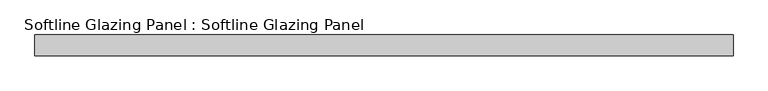
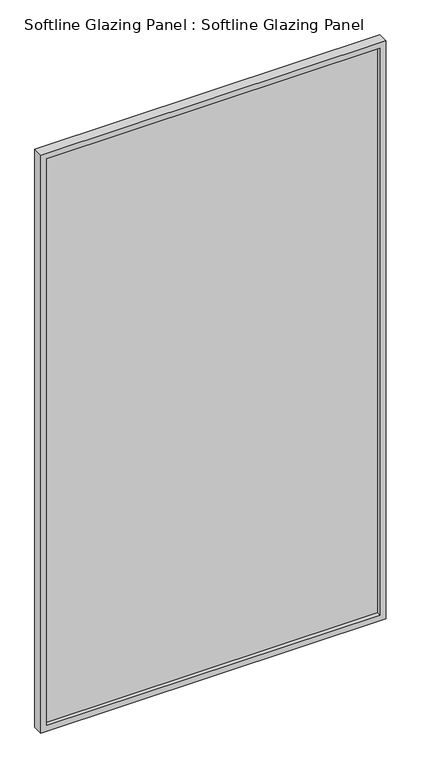
"""IFC4 building model written with IfcOpenShell, lengths in millimetres: plate geometry, Softline Glazing Panel : Softline Glazing Panel."""

import ifcopenshell
import ifcopenshell.guid

model = None  # the IFC model being written
_history = None  # IfcOwnerHistory: only IFC2X3 demands one
_inside = {}  # id of a spatial element -> (the spatial element, [elements in it])
_under = {}  # id of a project, library or spatial element -> (it, [spatial elements below it])
_declared = {}  # id of a project -> (the project, [libraries it declares])
_typed = {}  # id of a type object -> (the type object, [elements of that type])
_made_of = {}  # id of a material, layer set ... -> (it, [elements and type objects made of it])


def new_model(schema):
    """Start an empty IFC model of exactly this schema.

    Asked for "IFC4X3", IfcOpenShell would pick the latest addendum, in which some entities
    have other attributes; the version numbers below select the first issue.
    IFC2X3 requires an IfcOwnerHistory on every rooted entity: one is made here for all.
    """
    global model, _history
    if schema == "IFC4X3":
        model = ifcopenshell.file(schema_version=(4, 3, 0, 0))
    else:
        model = ifcopenshell.file(schema=schema)
    _inside.clear()
    _under.clear()
    _declared.clear()
    _typed.clear()
    _made_of.clear()
    _history = None
    if model.schema == "IFC2X3":
        org = make("IfcOrganization", Name="unknown")
        user = make(
            "IfcPersonAndOrganization",
            ThePerson=make("IfcPerson", FamilyName="unknown"),
            TheOrganization=org,
        )
        app = make(
            "IfcApplication",
            ApplicationDeveloper=org,
            Version="unknown",
            ApplicationFullName="unknown",
            ApplicationIdentifier="unknown",
        )
        _history = make(
            "IfcOwnerHistory",
            OwningUser=user,
            OwningApplication=app,
            ChangeAction="ADDED",
            CreationDate=0,
        )
    return model


def make(cls, **values):
    """One entity of the class cls with the attributes given. An attribute that is None is left unset."""
    return model.create_entity(
        cls, **{name: value for name, value in values.items() if value is not None}
    )


def rooted(cls, **values):
    """An entity with a GlobalId (a new one), such as an element, a storey or a relation."""
    return make(cls, GlobalId=ifcopenshell.guid.new(), OwnerHistory=_history, **values)


def si_unit(unit_type, name, prefix=None):
    """IfcSIUnit, for example si_unit("LENGTHUNIT", "METRE", prefix="MILLI")."""
    return make("IfcSIUnit", UnitType=unit_type, Prefix=prefix, Name=name)


def assignment(units):
    """IfcUnitAssignment: the units of a project."""
    return None if units is None else make("IfcUnitAssignment", Units=units)


def point(xyz):
    """IfcCartesianPoint."""
    return None if xyz is None else make("IfcCartesianPoint", Coordinates=xyz)


def direction(xyz):
    """IfcDirection."""
    return None if xyz is None else make("IfcDirection", DirectionRatios=xyz)


def frame(location, z_axis=None, x_axis=None):
    """IfcAxis2Placement3D, a coordinate frame: its origin and axes. An axis left out is left unset."""
    return make(
        "IfcAxis2Placement3D",
        Location=point(location),
        Axis=direction(z_axis),
        RefDirection=direction(x_axis),
    )


def origin():
    """The frame at (0, 0, 0) with its axes left unset."""
    return frame((0.0, 0.0, 0.0))


def place(relative_to, where):
    """IfcLocalPlacement: puts the frame where relative to a parent placement (None: the world)."""
    return make(
        "IfcLocalPlacement", PlacementRelTo=relative_to, RelativePlacement=where
    )


def context(
    kind, dimensions, precision=None, world=None, true_north=None, identifier=None
):
    """IfcGeometricRepresentationContext, for example the 3D "Model" context."""
    return make(
        "IfcGeometricRepresentationContext",
        ContextIdentifier=identifier,
        ContextType=kind,
        CoordinateSpaceDimension=dimensions,
        Precision=precision,
        WorldCoordinateSystem=world,
        TrueNorth=true_north,
    )


def project(units=None, contexts=None):
    """IfcProject with its units and contexts."""
    return rooted(
        "IfcProject",
        Name="project",
        RepresentationContexts=contexts,
        UnitsInContext=assignment(units),
    )


def spatial(cls, under=None, at=None, **own):
    """A site, building, storey or space (cls), placed at a placement, below another one or the project."""
    s = rooted(cls, ObjectPlacement=at, **own)
    if under is not None:
        _under.setdefault(under.id(), (under, []))[1].append(s)
    return s


def polyline(points):
    """IfcPolyline through the points."""
    return make("IfcPolyline", Points=[point(p) for p in points])


def outline(outer, holes=None, kind="AREA"):
    """IfcArbitraryClosedProfileDef: a profile drawn as a closed curve; with holes, ...WithVoids."""
    if holes is None:
        return make("IfcArbitraryClosedProfileDef", ProfileType=kind, OuterCurve=outer)
    return make(
        "IfcArbitraryProfileDefWithVoids",
        ProfileType=kind,
        OuterCurve=outer,
        InnerCurves=holes,
    )


def extrude(swept, where, along, depth):
    """IfcExtrudedAreaSolid: the profile swept, set in the frame where, extruded along a direction by depth."""
    return make(
        "IfcExtrudedAreaSolid",
        SweptArea=swept,
        Position=where,
        ExtrudedDirection=direction(along),
        Depth=depth,
    )


def faces_of(points, faces, orient=None, outer=None):
    """IfcFace entities. A face is a list of loops; a loop is a list of indices into points, from 0.

    orient and outer hold one flag for each loop. By default every Orientation is true, the
    first loop of a face is its IfcFaceOuterBound and the others are IfcFaceBound.
    """
    made = []
    for i, loops in enumerate(faces):
        bounds = []
        for j, loop in enumerate(loops):
            is_outer = j == 0 if outer is None else outer[i][j]
            bounds.append(
                make(
                    "IfcFaceOuterBound" if is_outer else "IfcFaceBound",
                    Bound=make("IfcPolyLoop", Polygon=[points[k] for k in loop]),
                    Orientation=True if orient is None else orient[i][j],
                )
            )
        made.append(make("IfcFace", Bounds=bounds))
    return made


def faceted_brep(points, faces, orient=None, outer=None, voids=None):
    """IfcFacetedBrep: a solid bounded by flat faces; with voids (closed shells), ...WithVoids."""
    shared = [point(p) for p in points]
    hull = make("IfcClosedShell", CfsFaces=faces_of(shared, faces, orient, outer))
    if voids is None:
        return make("IfcFacetedBrep", Outer=hull)
    return make(
        "IfcFacetedBrepWithVoids",
        Outer=hull,
        Voids=[
            make(cls, CfsFaces=faces_of(shared, fs, o, b)) for cls, fs, o, b in voids
        ],
    )


def shape(context_of_items, identifier, shape_type, items):
    """IfcShapeRepresentation: the items that make up one representation, for example the "Body"."""
    return make(
        "IfcShapeRepresentation",
        ContextOfItems=context_of_items,
        RepresentationIdentifier=identifier,
        RepresentationType=shape_type,
        Items=items,
    )


def source(mapping_origin, context_of_items, identifier, shape_type, items):
    """IfcRepresentationMap: a shape defined once, which mapped items show again and again."""
    return make(
        "IfcRepresentationMap",
        MappingOrigin=mapping_origin,
        MappedRepresentation=shape(context_of_items, identifier, shape_type, items),
    )


def transform(
    local_origin,
    x_axis=None,
    y_axis=None,
    z_axis=None,
    scale=None,
    scale2=None,
    scale3=None,
    uniform=True,
):
    """IfcCartesianTransformationOperator3D, or its non-uniform kind. x_axis, y_axis, z_axis: its Axis1, 2, 3."""
    if uniform:
        return make(
            "IfcCartesianTransformationOperator3D",
            Axis1=direction(x_axis),
            Axis2=direction(y_axis),
            LocalOrigin=point(local_origin),
            Scale=scale,
            Axis3=direction(z_axis),
        )
    return make(
        "IfcCartesianTransformationOperator3DnonUniform",
        Axis1=direction(x_axis),
        Axis2=direction(y_axis),
        LocalOrigin=point(local_origin),
        Scale=scale,
        Axis3=direction(z_axis),
        Scale2=scale2,
        Scale3=scale3,
    )


def mapped(mapping_source, mapping_target):
    """IfcMappedItem: shows the shape of a source again, moved by a transform."""
    return make(
        "IfcMappedItem", MappingSource=mapping_source, MappingTarget=mapping_target
    )


def made_of(thing, what):
    """Note that an element or type object is made of a material, layer set ...; save() writes the relation."""
    if what is not None:
        _made_of.setdefault(what.id(), (what, []))[1].append(thing)
    return thing


def element(
    cls,
    number,
    at=None,
    inside=None,
    cuts=None,
    type_object=None,
    material=None,
    context=None,
    identifier="Body",
    shape_type=None,
    held_by="IfcProductDefinitionShape",
    body=None,
    shapes=None,
    **own,
):
    """One element of the class cls, such as IfcWall. Its Tag is "e" and its number.

    at: its placement. inside: the storey or other place that contains it. cuts: it is an
    opening in that element (IfcRelVoidsElement). A single representation is given by context,
    identifier, shape_type and body (its items); several are given by shapes. held_by: the class
    of the entity that holds the representations. save() writes the other relations.
    """
    e = rooted(cls, Tag="e%d" % number, ObjectPlacement=at, **own)
    if body is not None:
        shapes = [shape(context, identifier, shape_type, body)]
    if shapes is not None:
        e.Representation = make(held_by, Representations=shapes)
    if inside is not None:
        _inside.setdefault(inside.id(), (inside, []))[1].append(e)
    if cuts is not None:
        rooted(
            "IfcRelVoidsElement", RelatingBuildingElement=cuts, RelatedOpeningElement=e
        )
    if type_object is not None:
        _typed.setdefault(type_object.id(), (type_object, []))[1].append(e)
    return made_of(e, material)


def aggregate(whole, parts):
    """IfcRelAggregates: a whole, such as a stair, and the parts it consists of."""
    return rooted("IfcRelAggregates", RelatingObject=whole, RelatedObjects=parts)


def save(model, path):
    """Write the relations noted so far, then the file.

    IfcRelAggregates (storeys below a building ...), IfcRelContainedInSpatialStructure (elements
    in a storey), IfcRelDefinesByType, IfcRelAssociatesMaterial and IfcRelDeclares: one each for
    every whole, place, type object, material and project.
    """
    for whole, parts in _under.values():
        aggregate(whole, parts)
    for where, things in _inside.values():
        rooted(
            "IfcRelContainedInSpatialStructure",
            RelatedElements=things,
            RelatingStructure=where,
        )
    for kind, things in _typed.values():
        rooted("IfcRelDefinesByType", RelatedObjects=things, RelatingType=kind)
    for what, things in _made_of.values():
        rooted("IfcRelAssociatesMaterial", RelatedObjects=things, RelatingMaterial=what)
    for by, libraries in _declared.values():
        rooted("IfcRelDeclares", RelatingContext=by, RelatedDefinitions=libraries)
    model.write(path)


def softline_glazing_panel_softline_glazing_panel_d5a15409(model_context):
    return source(origin(), model_context, "Body", "SolidModel", [
        extrude(outline(polyline([(739.0, -4.0), (-739.0, -4.0), (-739.0, 4.0), (739.0, 4.0), (739.0, -4.0)])), frame((0.0, 0.0, 16.0), z_axis=(0.0, 0.0, 1.0), x_axis=(1.0, 0.0, 0.0)), (0.0, 0.0, 1.0), 2638.0),
        faceted_brep([(729.0, -4.0, 26.0), (-729.0, -4.0, 26.0), (-729.0, -22.5, 26.0), (729.0, -22.5, 26.0), (739.0, 4.0, 16.0), (-739.0, 4.0, 16.0), (-739.0, -4.0, 16.0), (739.0, -4.0, 16.0), (729.0, 22.5, 26.0), (-729.0, 22.5, 26.0), (-729.0, 4.0, 26.0), (729.0, 4.0, 26.0), (755.0, -22.5, 0.0), (-755.0, -22.5, 0.0), (-755.0, 22.5, 0.0), (755.0, 22.5, 0.0), (-729.0, -4.0, 2644.0), (-729.0, -22.5, 2644.0), (-739.0, 4.0, 2654.0), (-739.0, -4.0, 2654.0), (-729.0, 22.5, 2644.0), (-729.0, 4.0, 2644.0), (-755.0, -22.5, 2670.0), (-755.0, 22.5, 2670.0), (729.0, -4.0, 2644.0), (729.0, -22.5, 2644.0), (739.0, 4.0, 2654.0), (739.0, -4.0, 2654.0), (729.0, 22.5, 2644.0), (729.0, 4.0, 2644.0), (755.0, -22.5, 2670.0), (755.0, 22.5, 2670.0)], [[[0, 1, 2, 3]], [[4, 5, 6, 7]], [[8, 9, 10, 11]], [[12, 13, 14, 15]], [[1, 16, 17, 2]], [[5, 18, 19, 6]], [[9, 20, 21, 10]], [[13, 22, 23, 14]], [[16, 24, 25, 17]], [[18, 26, 27, 19]], [[20, 28, 29, 21]], [[22, 30, 31, 23]], [[13, 12, 30, 22], [3, 2, 17, 25]], [[24, 0, 3, 25]], [[7, 6, 19, 27], [1, 0, 24, 16]], [[26, 4, 7, 27]], [[5, 4, 26, 18], [11, 10, 21, 29]], [[28, 8, 11, 29]], [[15, 14, 23, 31], [9, 8, 28, 20]], [[30, 12, 15, 31]]]),
    ])


if __name__ == "__main__":
    model = new_model("IFC4")
    model_context = context("Model", 3, world=origin())
    ifc_project = project(units=[si_unit("LENGTHUNIT", "METRE", prefix="MILLI")], contexts=[model_context])
    site = spatial("IfcSite", under=ifc_project)
    building = spatial("IfcBuilding", under=site)
    placement = place(None, origin())
    softline_glazing_panel_softline_glazing_panel_shape = softline_glazing_panel_softline_glazing_panel_d5a15409(model_context)
    element("IfcPlate", 1, ObjectType="Softline Glazing Panel : Softline Glazing Panel", at=placement, inside=building, context=model_context, shape_type="MappedRepresentation", body=[
        mapped(softline_glazing_panel_softline_glazing_panel_shape, transform((0.0, 0.0, 0.0), x_axis=(1.0, 0.0, 0.0), y_axis=(0.0, 1.0, 0.0), z_axis=(0.0, 0.0, 1.0))),
    ])
    save(model, "model.ifc")
